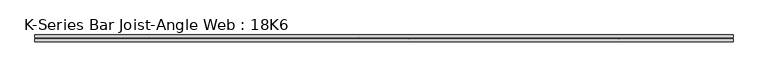
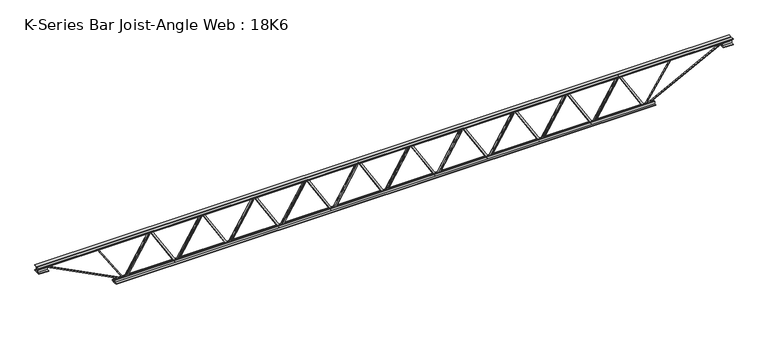
"""IFC4 building model written with IfcOpenShell, lengths in millimetres: beam geometry, K-Series Bar Joist-Angle Web : 18K6."""

from ifc_helpers import new_model, si_unit, frame, origin, place, context, project, spatial, polyline, outline, extrude, faceted_brep, source, transform, mapped, element, save


def k_series_bar_joist_angle_web_18k6_4af4e601(model_context):
    return source(origin(), model_context, "Body", "SolidModel", [
        extrude(outline(polyline([(-4.7625, 4.7625), (-4.7625, 0.0), (-17.4625, 0.0), (-17.4625, 4.7625), (-4.7625, 4.7625)])), frame((2161.6836943, 0.0, -190.5), z_axis=(-0.5181902126237493, 0.0, 0.8552653994760653), x_axis=(0.0, -1.0, 0.0)), (0.0, 0.0, 1.0), 445.4757555),
        extrude(outline(polyline([(-225.425, 2194.56), (-206.375, 2194.56), (-206.375, 2193.5758645), (225.425, 1931.9558645), (225.425, 1913.89), (206.375, 1913.89), (206.375, 1921.2241355), (-225.425, 2182.8441355), (-225.425, 2194.56)])), frame((0.0, 0.0, 0.0), z_axis=(0.0, 1.0, 0.0), x_axis=(0.0, 0.0, 1.0)), (0.0, 0.0, 1.0), 4.7625),
        faceted_brep([(1645.92, 0.0, -206.375), (1645.92, 0.0, -225.425), (1645.92, -4.7625, -225.425), (1645.92, -4.7625, -206.375), (1646.9041355, 0.0, -206.375), (1908.5241355, 0.0, 225.425), (1926.59, 0.0, 225.425), (1926.59, 0.0, 206.375), (1919.2558645, 0.0, 206.375), (1657.6358645, 0.0, -225.425), (1657.6358645, -4.7625, -225.425), (1678.7963057, -4.7625, -190.5), (1674.7231042, -4.7625, -188.0321191), (1905.5642807, -4.7625, 192.9678809), (1909.6374821, -4.7625, 190.5), (1919.2558645, -4.7625, 206.375), (1926.59, -4.7625, 206.375), (1926.59, -4.7625, 225.425), (1908.5241355, -4.7625, 225.425), (1646.9041355, -4.7625, -206.375), (1909.6374821, -17.4625, 190.5), (1678.7963057, -17.4625, -190.5), (1674.7231042, -17.4625, -188.0321191), (1905.5642807, -17.4625, 192.9678809)], [[[0, 1, 2, 3]], [[1, 0, 4, 5, 6, 7, 8, 9]], [[2, 1, 9, 10]], [[3, 2, 10, 11, 12, 13, 14, 15, 16, 17, 18, 19]], [[0, 3, 19, 4]], [[9, 8, 15, 14, 20, 21, 11, 10]], [[5, 4, 19, 18]], [[7, 6, 17, 16]], [[8, 7, 16, 15]], [[6, 5, 18, 17]], [[21, 22, 12, 11]], [[20, 14, 13, 23]], [[22, 21, 20, 23]], [[12, 22, 23, 13]]]),
        extrude(outline(polyline([(-4.7625, 4.7625), (-4.7625, 0.0), (-17.4625, 0.0), (-17.4625, 4.7625), (-4.7625, 4.7625)])), frame((1613.0436943, 0.0, -190.5), z_axis=(-0.5181902126237493, 0.0, 0.8552653994760653), x_axis=(0.0, -1.0, 0.0)), (0.0, 0.0, 1.0), 445.4757555),
        extrude(outline(polyline([(-225.425, 1645.92), (-206.375, 1645.92), (-206.375, 1644.9358645), (225.425, 1383.3158645), (225.425, 1365.25), (206.375, 1365.25), (206.375, 1372.5841355), (-225.425, 1634.2041355), (-225.425, 1645.92)])), frame((0.0, 0.0, 0.0), z_axis=(0.0, 1.0, 0.0), x_axis=(0.0, 0.0, 1.0)), (0.0, 0.0, 1.0), 4.7625),
        faceted_brep([(1097.28, 0.0, -206.375), (1097.28, 0.0, -225.425), (1097.28, -4.7625, -225.425), (1097.28, -4.7625, -206.375), (1098.2641355, 0.0, -206.375), (1359.8841355, 0.0, 225.425), (1377.95, 0.0, 225.425), (1377.95, 0.0, 206.375), (1370.6158645, 0.0, 206.375), (1108.9958645, 0.0, -225.425), (1108.9958645, -4.7625, -225.425), (1130.1563057, -4.7625, -190.5), (1126.0831042, -4.7625, -188.0321191), (1356.9242807, -4.7625, 192.9678809), (1360.9974821, -4.7625, 190.5), (1370.6158645, -4.7625, 206.375), (1377.95, -4.7625, 206.375), (1377.95, -4.7625, 225.425), (1359.8841355, -4.7625, 225.425), (1098.2641355, -4.7625, -206.375), (1360.9974821, -17.4625, 190.5), (1130.1563057, -17.4625, -190.5), (1126.0831042, -17.4625, -188.0321191), (1356.9242807, -17.4625, 192.9678809)], [[[0, 1, 2, 3]], [[1, 0, 4, 5, 6, 7, 8, 9]], [[2, 1, 9, 10]], [[3, 2, 10, 11, 12, 13, 14, 15, 16, 17, 18, 19]], [[0, 3, 19, 4]], [[9, 8, 15, 14, 20, 21, 11, 10]], [[5, 4, 19, 18]], [[7, 6, 17, 16]], [[8, 7, 16, 15]], [[6, 5, 18, 17]], [[21, 22, 12, 11]], [[20, 14, 13, 23]], [[22, 21, 20, 23]], [[12, 22, 23, 13]]]),
        extrude(outline(polyline([(-4.7625, 4.7625), (-4.7625, 0.0), (-17.4625, 0.0), (-17.4625, 4.7625), (-4.7625, 4.7625)])), frame((1064.4036943, 0.0, -190.5), z_axis=(-0.5181902126237493, 0.0, 0.8552653994760653), x_axis=(0.0, -1.0, 0.0)), (0.0, 0.0, 1.0), 445.4757555),
        extrude(outline(polyline([(-225.425, 1097.28), (-206.375, 1097.28), (-206.375, 1096.2958645), (225.425, 834.6758645), (225.425, 816.61), (206.375, 816.61), (206.375, 823.9441355), (-225.425, 1085.5641355), (-225.425, 1097.28)])), frame((0.0, 0.0, 0.0), z_axis=(0.0, 1.0, 0.0), x_axis=(0.0, 0.0, 1.0)), (0.0, 0.0, 1.0), 4.7625),
        faceted_brep([(548.64, 0.0, -206.375), (548.64, 0.0, -225.425), (548.64, -4.7625, -225.425), (548.64, -4.7625, -206.375), (549.6241355, 0.0, -206.375), (811.2441355, 0.0, 225.425), (829.31, 0.0, 225.425), (829.31, 0.0, 206.375), (821.9758645, 0.0, 206.375), (560.3558645, 0.0, -225.425), (560.3558645, -4.7625, -225.425), (581.5163057, -4.7625, -190.5), (577.4431042, -4.7625, -188.0321191), (808.2842807, -4.7625, 192.9678809), (812.3574821, -4.7625, 190.5), (821.9758645, -4.7625, 206.375), (829.31, -4.7625, 206.375), (829.31, -4.7625, 225.425), (811.2441355, -4.7625, 225.425), (549.6241355, -4.7625, -206.375), (812.3574821, -17.4625, 190.5), (581.5163057, -17.4625, -190.5), (577.4431042, -17.4625, -188.0321191), (808.2842807, -17.4625, 192.9678809)], [[[0, 1, 2, 3]], [[1, 0, 4, 5, 6, 7, 8, 9]], [[2, 1, 9, 10]], [[3, 2, 10, 11, 12, 13, 14, 15, 16, 17, 18, 19]], [[0, 3, 19, 4]], [[9, 8, 15, 14, 20, 21, 11, 10]], [[5, 4, 19, 18]], [[7, 6, 17, 16]], [[8, 7, 16, 15]], [[6, 5, 18, 17]], [[21, 22, 12, 11]], [[20, 14, 13, 23]], [[22, 21, 20, 23]], [[12, 22, 23, 13]]]),
        extrude(outline(polyline([(-4.7625, 4.7625), (-4.7625, 0.0), (-17.4625, 0.0), (-17.4625, 4.7625), (-4.7625, 4.7625)])), frame((515.7636943, 0.0, -190.5), z_axis=(-0.5181902126237493, 0.0, 0.8552653994760653), x_axis=(0.0, -1.0, 0.0)), (0.0, 0.0, 1.0), 445.4757555),
        extrude(outline(polyline([(-225.425, 548.64), (-206.375, 548.64), (-206.375, 547.6558645), (225.425, 286.0358645), (225.425, 267.97), (206.375, 267.97), (206.375, 275.3041355), (-225.425, 536.9241355), (-225.425, 548.64)])), frame((0.0, 0.0, 0.0), z_axis=(0.0, 1.0, 0.0), x_axis=(0.0, 0.0, 1.0)), (0.0, 0.0, 1.0), 4.7625),
        faceted_brep([(0.0, 0.0, -206.375), (0.0, 0.0, -225.425), (0.0, -4.7625, -225.425), (0.0, -4.7625, -206.375), (0.9841355, 0.0, -206.375), (262.6041355, 0.0, 225.425), (280.67, 0.0, 225.425), (280.67, 0.0, 206.375), (273.3358645, 0.0, 206.375), (11.7158645, 0.0, -225.425), (11.7158645, -4.7625, -225.425), (32.8763057, -4.7625, -190.5), (28.8031042, -4.7625, -188.0321191), (259.6442807, -4.7625, 192.9678809), (263.7174821, -4.7625, 190.5), (273.3358645, -4.7625, 206.375), (280.67, -4.7625, 206.375), (280.67, -4.7625, 225.425), (262.6041355, -4.7625, 225.425), (0.9841355, -4.7625, -206.375), (263.7174821, -17.4625, 190.5), (32.8763057, -17.4625, -190.5), (28.8031042, -17.4625, -188.0321191), (259.6442807, -17.4625, 192.9678809)], [[[0, 1, 2, 3]], [[1, 0, 4, 5, 6, 7, 8, 9]], [[2, 1, 9, 10]], [[3, 2, 10, 11, 12, 13, 14, 15, 16, 17, 18, 19]], [[0, 3, 19, 4]], [[9, 8, 15, 14, 20, 21, 11, 10]], [[5, 4, 19, 18]], [[7, 6, 17, 16]], [[8, 7, 16, 15]], [[6, 5, 18, 17]], [[21, 22, 12, 11]], [[20, 14, 13, 23]], [[22, 21, 20, 23]], [[12, 22, 23, 13]]]),
        extrude(outline(polyline([(-4.7625, 4.7625), (-4.7625, 0.0), (-17.4625, 0.0), (-17.4625, 4.7625), (-4.7625, 4.7625)])), frame((-32.8763057, 0.0, -190.5), z_axis=(-0.5181902126237493, 0.0, 0.8552653994760653), x_axis=(0.0, -1.0, 0.0)), (0.0, 0.0, 1.0), 445.4757555),
        extrude(outline(polyline([(-225.425, 0.0), (-206.375, 0.0), (-206.375, -0.9841355), (225.425, -262.6041355), (225.425, -280.67), (206.375, -280.67), (206.375, -273.3358645), (-225.425, -11.7158645), (-225.425, 0.0)])), frame((0.0, 0.0, 0.0), z_axis=(0.0, 1.0, 0.0), x_axis=(0.0, 0.0, 1.0)), (0.0, 0.0, 1.0), 4.7625),
        faceted_brep([(-548.64, 0.0, -206.375), (-548.64, 0.0, -225.425), (-548.64, -4.7625, -225.425), (-548.64, -4.7625, -206.375), (-547.6558645, 0.0, -206.375), (-286.0358645, 0.0, 225.425), (-267.97, 0.0, 225.425), (-267.97, 0.0, 206.375), (-275.3041355, 0.0, 206.375), (-536.9241355, 0.0, -225.425), (-536.9241355, -4.7625, -225.425), (-515.7636943, -4.7625, -190.5), (-519.8368958, -4.7625, -188.0321191), (-288.9957193, -4.7625, 192.9678809), (-284.9225179, -4.7625, 190.5), (-275.3041355, -4.7625, 206.375), (-267.97, -4.7625, 206.375), (-267.97, -4.7625, 225.425), (-286.0358645, -4.7625, 225.425), (-547.6558645, -4.7625, -206.375), (-284.9225179, -17.4625, 190.5), (-515.7636943, -17.4625, -190.5), (-519.8368958, -17.4625, -188.0321191), (-288.9957193, -17.4625, 192.9678809)], [[[0, 1, 2, 3]], [[1, 0, 4, 5, 6, 7, 8, 9]], [[2, 1, 9, 10]], [[3, 2, 10, 11, 12, 13, 14, 15, 16, 17, 18, 19]], [[0, 3, 19, 4]], [[9, 8, 15, 14, 20, 21, 11, 10]], [[5, 4, 19, 18]], [[7, 6, 17, 16]], [[8, 7, 16, 15]], [[6, 5, 18, 17]], [[21, 22, 12, 11]], [[20, 14, 13, 23]], [[22, 21, 20, 23]], [[12, 22, 23, 13]]]),
        extrude(outline(polyline([(-4.7625, 4.7625), (-4.7625, 0.0), (-17.4625, 0.0), (-17.4625, 4.7625), (-4.7625, 4.7625)])), frame((-581.5163057, 0.0, -190.5), z_axis=(-0.5181902126237493, 0.0, 0.8552653994760653), x_axis=(0.0, -1.0, 0.0)), (0.0, 0.0, 1.0), 445.4757555),
        extrude(outline(polyline([(-225.425, -548.64), (-206.375, -548.64), (-206.375, -549.6241355), (225.425, -811.2441355), (225.425, -829.31), (206.375, -829.31), (206.375, -821.9758645), (-225.425, -560.3558645), (-225.425, -548.64)])), frame((0.0, 0.0, 0.0), z_axis=(0.0, 1.0, 0.0), x_axis=(0.0, 0.0, 1.0)), (0.0, 0.0, 1.0), 4.7625),
        faceted_brep([(-1097.28, 0.0, -206.375), (-1097.28, 0.0, -225.425), (-1097.28, -4.7625, -225.425), (-1097.28, -4.7625, -206.375), (-1096.2958645, 0.0, -206.375), (-834.6758645, 0.0, 225.425), (-816.61, 0.0, 225.425), (-816.61, 0.0, 206.375), (-823.9441355, 0.0, 206.375), (-1085.5641355, 0.0, -225.425), (-1085.5641355, -4.7625, -225.425), (-1064.4036943, -4.7625, -190.5), (-1068.4768958, -4.7625, -188.0321191), (-837.6357193, -4.7625, 192.9678809), (-833.5625179, -4.7625, 190.5), (-823.9441355, -4.7625, 206.375), (-816.61, -4.7625, 206.375), (-816.61, -4.7625, 225.425), (-834.6758645, -4.7625, 225.425), (-1096.2958645, -4.7625, -206.375), (-833.5625179, -17.4625, 190.5), (-1064.4036943, -17.4625, -190.5), (-1068.4768958, -17.4625, -188.0321191), (-837.6357193, -17.4625, 192.9678809)], [[[0, 1, 2, 3]], [[1, 0, 4, 5, 6, 7, 8, 9]], [[2, 1, 9, 10]], [[3, 2, 10, 11, 12, 13, 14, 15, 16, 17, 18, 19]], [[0, 3, 19, 4]], [[9, 8, 15, 14, 20, 21, 11, 10]], [[5, 4, 19, 18]], [[7, 6, 17, 16]], [[8, 7, 16, 15]], [[6, 5, 18, 17]], [[21, 22, 12, 11]], [[20, 14, 13, 23]], [[22, 21, 20, 23]], [[12, 22, 23, 13]]]),
        extrude(outline(polyline([(-4.7625, 4.7625), (-4.7625, 0.0), (-17.4625, 0.0), (-17.4625, 4.7625), (-4.7625, 4.7625)])), frame((-1130.1563057, 0.0, -190.5), z_axis=(-0.5181902126237493, 0.0, 0.8552653994760653), x_axis=(0.0, -1.0, 0.0)), (0.0, 0.0, 1.0), 445.4757555),
        extrude(outline(polyline([(-225.425, -1097.28), (-206.375, -1097.28), (-206.375, -1098.2641355), (225.425, -1359.8841355), (225.425, -1377.95), (206.375, -1377.95), (206.375, -1370.6158645), (-225.425, -1108.9958645), (-225.425, -1097.28)])), frame((0.0, 0.0, 0.0), z_axis=(0.0, 1.0, 0.0), x_axis=(0.0, 0.0, 1.0)), (0.0, 0.0, 1.0), 4.7625),
        faceted_brep([(-1645.92, 0.0, -206.375), (-1645.92, 0.0, -225.425), (-1645.92, -4.7625, -225.425), (-1645.92, -4.7625, -206.375), (-1644.9358645, 0.0, -206.375), (-1383.3158645, 0.0, 225.425), (-1365.25, 0.0, 225.425), (-1365.25, 0.0, 206.375), (-1372.5841355, 0.0, 206.375), (-1634.2041355, 0.0, -225.425), (-1634.2041355, -4.7625, -225.425), (-1613.0436943, -4.7625, -190.5), (-1617.1168958, -4.7625, -188.0321191), (-1386.2757193, -4.7625, 192.9678809), (-1382.2025179, -4.7625, 190.5), (-1372.5841355, -4.7625, 206.375), (-1365.25, -4.7625, 206.375), (-1365.25, -4.7625, 225.425), (-1383.3158645, -4.7625, 225.425), (-1644.9358645, -4.7625, -206.375), (-1382.2025179, -17.4625, 190.5), (-1613.0436943, -17.4625, -190.5), (-1617.1168958, -17.4625, -188.0321191), (-1386.2757193, -17.4625, 192.9678809)], [[[0, 1, 2, 3]], [[1, 0, 4, 5, 6, 7, 8, 9]], [[2, 1, 9, 10]], [[3, 2, 10, 11, 12, 13, 14, 15, 16, 17, 18, 19]], [[0, 3, 19, 4]], [[9, 8, 15, 14, 20, 21, 11, 10]], [[5, 4, 19, 18]], [[7, 6, 17, 16]], [[8, 7, 16, 15]], [[6, 5, 18, 17]], [[21, 22, 12, 11]], [[20, 14, 13, 23]], [[22, 21, 20, 23]], [[12, 22, 23, 13]]]),
        extrude(outline(polyline([(-4.7625, 4.7625), (-4.7625, 0.0), (-17.4625, 0.0), (-17.4625, 4.7625), (-4.7625, 4.7625)])), frame((-1678.7963057, 0.0, -190.5), z_axis=(-0.5181902126237493, 0.0, 0.8552653994760653), x_axis=(0.0, -1.0, 0.0)), (0.0, 0.0, 1.0), 445.4757555),
        extrude(outline(polyline([(-225.425, -1645.92), (-206.375, -1645.92), (-206.375, -1646.9041355), (225.425, -1908.5241355), (225.425, -1926.59), (206.375, -1926.59), (206.375, -1919.2558645), (-225.425, -1657.6358645), (-225.425, -1645.92)])), frame((0.0, 0.0, 0.0), z_axis=(0.0, 1.0, 0.0), x_axis=(0.0, 0.0, 1.0)), (0.0, 0.0, 1.0), 4.7625),
        faceted_brep([(-2194.56, 0.0, -206.375), (-2194.56, 0.0, -225.425), (-2194.56, -4.7625, -225.425), (-2194.56, -4.7625, -206.375), (-2193.5758645, 0.0, -206.375), (-1931.9558645, 0.0, 225.425), (-1913.89, 0.0, 225.425), (-1913.89, 0.0, 206.375), (-1921.2241355, 0.0, 206.375), (-2182.8441355, 0.0, -225.425), (-2182.8441355, -4.7625, -225.425), (-2161.6836943, -4.7625, -190.5), (-2165.7568958, -4.7625, -188.0321191), (-1934.9157193, -4.7625, 192.9678809), (-1930.8425179, -4.7625, 190.5), (-1921.2241355, -4.7625, 206.375), (-1913.89, -4.7625, 206.375), (-1913.89, -4.7625, 225.425), (-1931.9558645, -4.7625, 225.425), (-2193.5758645, -4.7625, -206.375), (-1930.8425179, -17.4625, 190.5), (-2161.6836943, -17.4625, -190.5), (-2165.7568958, -17.4625, -188.0321191), (-1934.9157193, -17.4625, 192.9678809)], [[[0, 1, 2, 3]], [[1, 0, 4, 5, 6, 7, 8, 9]], [[2, 1, 9, 10]], [[3, 2, 10, 11, 12, 13, 14, 15, 16, 17, 18, 19]], [[0, 3, 19, 4]], [[9, 8, 15, 14, 20, 21, 11, 10]], [[5, 4, 19, 18]], [[7, 6, 17, 16]], [[8, 7, 16, 15]], [[6, 5, 18, 17]], [[21, 22, 12, 11]], [[20, 14, 13, 23]], [[22, 21, 20, 23]], [[12, 22, 23, 13]]]),
        extrude(outline(polyline([(-4.7625, 4.7625), (-4.7625, 0.0), (-17.4625, 0.0), (-17.4625, 4.7625), (-4.7625, 4.7625)])), frame((2710.3236943, 0.0, -190.5), z_axis=(-0.5181902126237493, 0.0, 0.8552653994760653), x_axis=(0.0, -1.0, 0.0)), (0.0, 0.0, 1.0), 445.4757555),
        extrude(outline(polyline([(-225.425, 2743.2), (-206.375, 2743.2), (-206.375, 2742.2158645), (225.425, 2480.5958645), (225.425, 2462.53), (206.375, 2462.53), (206.375, 2469.8641355), (-225.425, 2731.4841355), (-225.425, 2743.2)])), frame((0.0, 0.0, 0.0), z_axis=(0.0, 1.0, 0.0), x_axis=(0.0, 0.0, 1.0)), (0.0, 0.0, 1.0), 4.7625),
        faceted_brep([(2194.56, 0.0, -206.375), (2194.56, 0.0, -225.425), (2194.56, -4.7625, -225.425), (2194.56, -4.7625, -206.375), (2195.5441355, 0.0, -206.375), (2457.1641355, 0.0, 225.425), (2475.23, 0.0, 225.425), (2475.23, 0.0, 206.375), (2467.8958645, 0.0, 206.375), (2206.2758645, 0.0, -225.425), (2206.2758645, -4.7625, -225.425), (2227.4363057, -4.7625, -190.5), (2223.3631042, -4.7625, -188.0321191), (2454.2042807, -4.7625, 192.9678809), (2458.2774821, -4.7625, 190.5), (2467.8958645, -4.7625, 206.375), (2475.23, -4.7625, 206.375), (2475.23, -4.7625, 225.425), (2457.1641355, -4.7625, 225.425), (2195.5441355, -4.7625, -206.375), (2458.2774821, -17.4625, 190.5), (2227.4363057, -17.4625, -190.5), (2223.3631042, -17.4625, -188.0321191), (2454.2042807, -17.4625, 192.9678809)], [[[0, 1, 2, 3]], [[1, 0, 4, 5, 6, 7, 8, 9]], [[2, 1, 9, 10]], [[3, 2, 10, 11, 12, 13, 14, 15, 16, 17, 18, 19]], [[0, 3, 19, 4]], [[9, 8, 15, 14, 20, 21, 11, 10]], [[5, 4, 19, 18]], [[7, 6, 17, 16]], [[8, 7, 16, 15]], [[6, 5, 18, 17]], [[21, 22, 12, 11]], [[20, 14, 13, 23]], [[22, 21, 20, 23]], [[12, 22, 23, 13]]]),
        extrude(outline(polyline([(-4.7625, 4.7625), (-4.7625, 0.0), (-17.4625, 0.0), (-17.4625, 4.7625), (-4.7625, 4.7625)])), frame((-2227.4363057, 0.0, -190.5), z_axis=(-0.5181902126237493, 0.0, 0.8552653994760653), x_axis=(0.0, -1.0, 0.0)), (0.0, 0.0, 1.0), 445.4757555),
        extrude(outline(polyline([(-225.425, -2194.56), (-206.375, -2194.56), (-206.375, -2195.5441355), (225.425, -2457.1641355), (225.425, -2475.23), (206.375, -2475.23), (206.375, -2467.8958645), (-225.425, -2206.2758645), (-225.425, -2194.56)])), frame((0.0, 0.0, 0.0), z_axis=(0.0, 1.0, 0.0), x_axis=(0.0, 0.0, 1.0)), (0.0, 0.0, 1.0), 4.7625),
        faceted_brep([(-2743.2, 0.0, -206.375), (-2743.2, 0.0, -225.425), (-2743.2, -4.7625, -225.425), (-2743.2, -4.7625, -206.375), (-2742.2158645, 0.0, -206.375), (-2480.5958645, 0.0, 225.425), (-2462.53, 0.0, 225.425), (-2462.53, 0.0, 206.375), (-2469.8641355, 0.0, 206.375), (-2731.4841355, 0.0, -225.425), (-2731.4841355, -4.7625, -225.425), (-2710.3236943, -4.7625, -190.5), (-2714.3968958, -4.7625, -188.0321191), (-2483.5557193, -4.7625, 192.9678809), (-2479.4825179, -4.7625, 190.5), (-2469.8641355, -4.7625, 206.375), (-2462.53, -4.7625, 206.375), (-2462.53, -4.7625, 225.425), (-2480.5958645, -4.7625, 225.425), (-2742.2158645, -4.7625, -206.375), (-2479.4825179, -17.4625, 190.5), (-2710.3236943, -17.4625, -190.5), (-2714.3968958, -17.4625, -188.0321191), (-2483.5557193, -17.4625, 192.9678809)], [[[0, 1, 2, 3]], [[1, 0, 4, 5, 6, 7, 8, 9]], [[2, 1, 9, 10]], [[3, 2, 10, 11, 12, 13, 14, 15, 16, 17, 18, 19]], [[0, 3, 19, 4]], [[9, 8, 15, 14, 20, 21, 11, 10]], [[5, 4, 19, 18]], [[7, 6, 17, 16]], [[8, 7, 16, 15]], [[6, 5, 18, 17]], [[21, 22, 12, 11]], [[20, 14, 13, 23]], [[22, 21, 20, 23]], [[12, 22, 23, 13]]]),
        extrude(outline(polyline([(4.7625, 228.6), (36.5125, 228.6), (36.5125, 222.25), (11.1125, 222.25), (11.1125, 196.85), (4.7625, 196.85), (4.7625, 228.6)])), frame((-3657.6, 0.0, 0.0), z_axis=(1.0, 0.0, 0.0), x_axis=(0.0, 1.0, 0.0)), (0.0, 0.0, 1.0), 7315.2),
        extrude(outline(polyline([(-4.7625, 228.6), (-4.7625, 196.85), (-11.1125, 196.85), (-11.1125, 222.25), (-36.5125, 222.25), (-36.5125, 228.6), (-4.7625, 228.6)])), frame((-3657.6, 0.0, 0.0), z_axis=(1.0, 0.0, 0.0), x_axis=(0.0, 1.0, 0.0)), (0.0, 0.0, 1.0), 7315.2),
        extrude(outline(polyline([(-4.7625, 165.1), (-36.5125, 165.1), (-36.5125, 171.45), (-11.1125, 171.45), (-11.1125, 196.85), (-4.7625, 196.85), (-4.7625, 165.1)])), frame((-3657.6, 0.0, 0.0), z_axis=(1.0, 0.0, 0.0), x_axis=(0.0, 1.0, 0.0)), (0.0, 0.0, 1.0), 101.6),
        extrude(outline(polyline([(36.5125, 165.1), (4.7625, 165.1), (4.7625, 196.85), (11.1125, 196.85), (11.1125, 171.45), (36.5125, 171.45), (36.5125, 165.1)])), frame((-3657.6, 0.0, 0.0), z_axis=(1.0, 0.0, 0.0), x_axis=(0.0, 1.0, 0.0)), (0.0, 0.0, 1.0), 101.6),
        extrude(outline(polyline([(4.7625, 165.1), (4.7625, 196.85), (11.1125, 196.85), (11.1125, 171.45), (36.5125, 171.45), (36.5125, 165.1), (4.7625, 165.1)])), frame((3556.0, 0.0, 0.0), z_axis=(1.0, 0.0, 0.0), x_axis=(0.0, 1.0, 0.0)), (0.0, 0.0, 1.0), 101.6),
        extrude(outline(polyline([(-4.7625, 165.1), (-36.5125, 165.1), (-36.5125, 171.45), (-11.1125, 171.45), (-11.1125, 196.85), (-4.7625, 196.85), (-4.7625, 165.1)])), frame((3556.0, 0.0, 0.0), z_axis=(1.0, 0.0, 0.0), x_axis=(0.0, 1.0, 0.0)), (0.0, 0.0, 1.0), 101.6),
        extrude(outline(polyline([(4.7625, -228.6), (4.7625, -196.85), (11.1125, -196.85), (11.1125, -222.25), (36.5125, -222.25), (36.5125, -228.6), (4.7625, -228.6)])), frame((-2844.8, 0.0, 0.0), z_axis=(1.0, 0.0, 0.0), x_axis=(0.0, 1.0, 0.0)), (0.0, 0.0, 1.0), 5689.6),
        extrude(outline(polyline([(-4.7625, -228.6), (-36.5125, -228.6), (-36.5125, -222.25), (-11.1125, -222.25), (-11.1125, -196.85), (-4.7625, -196.85), (-4.7625, -228.6)])), frame((-2844.8, 0.0, 0.0), z_axis=(1.0, 0.0, 0.0), x_axis=(0.0, 1.0, 0.0)), (0.0, 0.0, 1.0), 5689.6),
        extrude(outline(polyline([(4.7625, 4.7625), (4.7625, -4.7625), (-4.7625, -4.7625), (-4.7625, 4.7625), (4.7625, 4.7625)])), frame((2743.2, 0.0, -222.25), z_axis=(0.5476591746947969, 0.0, 0.8367015168939363), x_axis=(0.0, -1.0, 0.0)), (0.0, 0.0, 1.0), 500.8954705),
        extrude(outline(polyline([(4.7625, 4.7625), (4.7625, -4.7625), (-4.7625, -4.7625), (-4.7625, 4.7625), (4.7625, 4.7625)])), frame((-2743.2, 0.0, -222.25), z_axis=(-0.5476591746947823, 0.0, 0.8367015168939458), x_axis=(0.0, -1.0, 0.0)), (0.0, 0.0, 1.0), 500.8954705),
        extrude(outline(polyline([(0.0, -9.525), (0.0, 0.0), (914.4881902, 0.0), (914.4881902, -9.525), (0.0, -9.525)])), frame((3558.182602, -4.7625, 192.6170749), z_axis=(-0.458289133194621, 0.0, 0.8888031674086918), x_axis=(-0.8888031674086918, 0.0, -0.458289133194621)), (0.0, 0.0, 1.0), 9.525),
        extrude(outline(polyline([(0.0, -9.525), (0.0, 0.0), (914.4881902, 0.0), (914.4881902, -9.525), (0.0, -9.525)])), frame((-3558.182602, 4.7625, 192.6170749), z_axis=(0.45828913319462006, 0.0, 0.8888031674086923), x_axis=(0.8888031674086923, 0.0, -0.45828913319462006)), (0.0, 0.0, 1.0), 9.525),
    ])


if __name__ == "__main__":
    model = new_model("IFC4")
    model_context = context("Model", 3, world=origin())
    ifc_project = project(units=[si_unit("LENGTHUNIT", "METRE", prefix="MILLI")], contexts=[model_context])
    site = spatial("IfcSite", under=ifc_project)
    building = spatial("IfcBuilding", under=site)
    placement = place(None, origin())
    k_series_bar_joist_angle_web_18k6_shape = k_series_bar_joist_angle_web_18k6_4af4e601(model_context)
    element("IfcBeam", 1, ObjectType="K-Series Bar Joist-Angle Web : 18K6", at=placement, inside=building, context=model_context, shape_type="MappedRepresentation", body=[
        mapped(k_series_bar_joist_angle_web_18k6_shape, transform((0.0, 0.0, 0.0), x_axis=(1.0, 0.0, 0.0), y_axis=(0.0, 1.0, 0.0), z_axis=(0.0, 0.0, 1.0))),
    ])
    save(model, "model.ifc")
